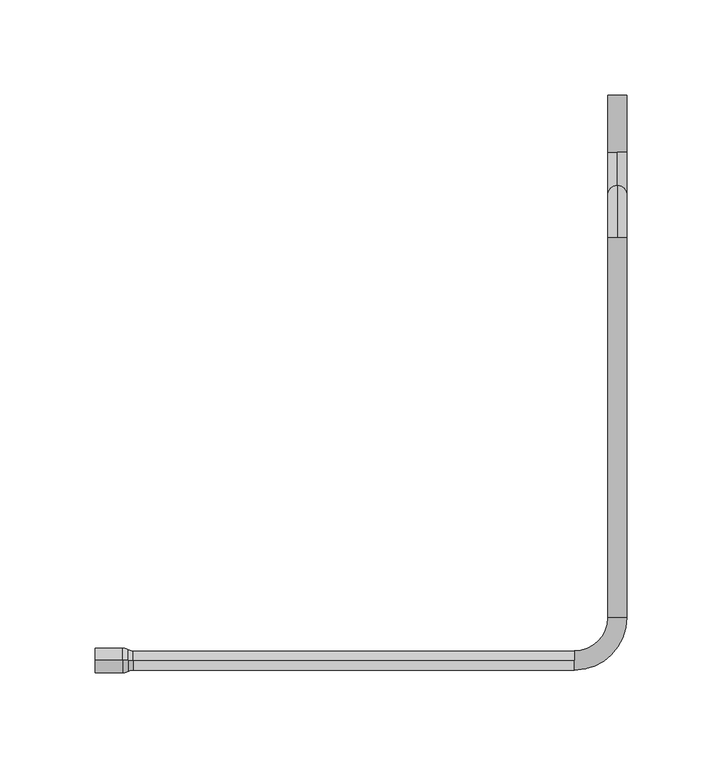
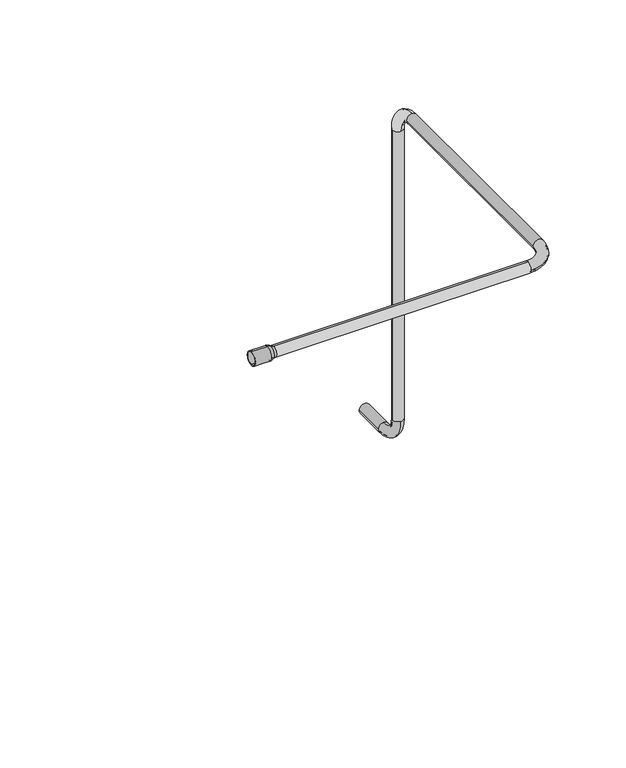
"""IFC4 building model written with IfcOpenShell, lengths in millimetres: proxy geometry."""

from ifc_helpers import new_model, si_unit, point, frame, origin, place, context, project, spatial, polyline, circle_curve, ellipse_curve, trimmed, source, transform, mapped, element, save
from ifc_brep_helpers import plane_surface, cylinder_surface, revolved_surface, advanced_brep


def generic_models_c6636124(model_context):
    return source(origin(), model_context, "Body", "AdvancedBrep", [
        advanced_brep(
        [(70.0, 0.0, 29.5), (302.5, 0.0, 29.5), (302.5, 5.0, 24.5), (302.5, 0.0, 19.5), (70.0, 0.0, 19.5), (302.5, 0.0, 28.5), (70.0, 0.0, 28.5), (70.0, 0.0, 20.5), (302.5, 0.0, 20.5), (302.5, 4.0, 24.5), (302.5, -5.0, 24.5), (330.0, 22.5, 24.5), (320.0, 22.5, 24.5), (329.0, 22.5, 24.5), (302.5, -4.0, 24.5), (321.0, 22.5, 24.5), (330.0, 222.5, 24.5), (325.0, 222.5, 29.5), (320.0, 222.5, 24.5), (329.0, 222.5, 24.5), (321.0, 222.5, 24.5), (325.0, 222.5, 28.5), (325.0, 250.0, 2.0), (320.0, 245.0, 2.0), (325.0, 240.0, 2.0), (325.0, 222.5, 19.5), (325.0, 249.0, 2.0), (325.0, 222.5, 20.5), (325.0, 241.0, 2.0), (321.0, 245.0, 2.0), (330.0, 245.0, 2.0), (330.0, 245.0, -278.0), (325.0, 250.0, -278.0), (320.0, 245.0, -278.0), (329.0, 245.0, -278.0), (329.0, 245.0, 2.0), (321.0, 245.0, -278.0), (325.0, 249.0, -278.0), (325.0, 240.0, -278.0), (325.0, 267.5, -305.5), (330.0, 267.5, -300.5), (325.0, 267.5, -295.5), (325.0, 267.5, -304.5), (325.0, 241.0, -278.0), (325.0, 267.5, -296.5), (329.0, 267.5, -300.5), (320.0, 267.5, -300.5), (320.0, 297.5, -300.5), (330.0, 297.5, -300.5), (321.0, 297.5, -300.5), (321.0, 267.5, -300.5), (329.0, 297.5, -300.5), (66.9753082, 0.0, 29.3181818), (66.9753082, 0.0, 19.6818182), (64.4547317, 0.0, 30.0), (64.4547317, 0.0, 19.0), (50.0, 0.0, 30.0), (50.0, 0.0, 19.0), (64.4547317, 0.0, 31.0), (50.0, 0.0, 31.0), (50.0, 0.0, 18.0), (64.4547317, 0.0, 18.0), (67.4794235, 0.0, 30.1818182), (67.4794235, 0.0, 18.8181818), (325.0, 22.5, 20.5), (325.0, 22.5, 19.5)],
        [
            (0, 1),
            (1, 2, circle_curve(frame((302.5, 0.0, 24.5), z_axis=(-1.0, 0.0, 0.0), x_axis=(0.0, 0.0, 1.0)), 5.0)),
            (2, 3, circle_curve(frame((302.5, 0.0, 24.5), z_axis=(-1.0, 0.0, 0.0), x_axis=(0.0, 0.0, 1.0)), 5.0)),
            (3, 4),
            (4, 0, circle_curve(frame((70.0, 0.0, 24.5), z_axis=(1.0, 0.0, 0.0), x_axis=(0.0, 0.0, 1.0)), 5.0)),
            (5, 6),
            (6, 7, circle_curve(frame((70.0, 0.0, 24.5), z_axis=(-1.0, 0.0, 0.0), x_axis=(0.0, 0.0, 1.0)), 4.0)),
            (7, 8),
            (8, 9, circle_curve(frame((302.5, 0.0, 24.5), z_axis=(1.0, 0.0, 0.0), x_axis=(0.0, 0.0, 1.0)), 4.0)),
            (9, 5, circle_curve(frame((302.5, 0.0, 24.5), z_axis=(1.0, 0.0, 0.0), x_axis=(0.0, 0.0, 1.0)), 4.0)),
            (10, 11, circle_curve(frame((302.5, 22.5, 24.5), z_axis=(0.0, 0.0, 1.0), x_axis=(0.0, -1.0, 0.0)), 27.5)),
            (11, 12, circle_curve(frame((325.0, 22.5, 24.5), z_axis=(0.0, -1.0, 0.0), x_axis=(1.0, 0.0, 0.0)), 5.0)),
            (12, 2, circle_curve(frame((302.5, 22.5, 24.5), z_axis=(0.0, 0.0, -1.0), x_axis=(0.0, -1.0, 0.0)), 17.5)),
            (1, 10, circle_curve(frame((302.5, 0.0, 24.5), z_axis=(1.0, 0.0, 0.0), x_axis=(0.0, -1.0, 0.0)), 5.0)),
            (13, 14, circle_curve(frame((302.5, 22.5, 24.5), z_axis=(0.0, 0.0, -1.0), x_axis=(0.0, -1.0, 0.0)), 26.5)),
            (14, 5, circle_curve(frame((302.5, 0.0, 24.5), z_axis=(-1.0, 0.0, 0.0), x_axis=(0.0, -1.0, 0.0)), 4.0)),
            (9, 15, circle_curve(frame((302.5, 22.5, 24.5), z_axis=(0.0, 0.0, 1.0), x_axis=(0.0, -1.0, 0.0)), 18.5)),
            (15, 13, circle_curve(frame((325.0, 22.5, 24.5), z_axis=(0.0, 1.0, 0.0), x_axis=(1.0, 0.0, 0.0)), 4.0)),
            (11, 16),
            (16, 17, circle_curve(frame((325.0, 222.5, 24.5), z_axis=(0.0, -1.0, 0.0), x_axis=(1.0, 0.0, 0.0)), 5.0)),
            (17, 18, circle_curve(frame((325.0, 222.5, 24.5), z_axis=(0.0, -1.0, 0.0), x_axis=(1.0, 0.0, 0.0)), 5.0)),
            (18, 12),
            (19, 13),
            (15, 20),
            (20, 21, circle_curve(frame((325.0, 222.5, 24.5), z_axis=(0.0, 1.0, 0.0), x_axis=(1.0, 0.0, 0.0)), 4.0)),
            (21, 19, circle_curve(frame((325.0, 222.5, 24.5), z_axis=(0.0, 1.0, 0.0), x_axis=(1.0, 0.0, 0.0)), 4.0)),
            (17, 22, circle_curve(frame((325.0, 222.5, 2.0), z_axis=(-1.0, 0.0, 0.0), x_axis=(0.0, 0.0, 1.0)), 27.5)),
            (22, 23, circle_curve(frame((325.0, 245.0, 2.0), z_axis=(0.0, 0.0, 1.0), x_axis=(0.0, 1.0, 0.0)), 5.0)),
            (23, 24, circle_curve(frame((325.0, 245.0, 2.0), z_axis=(0.0, 0.0, 1.0), x_axis=(0.0, 1.0, 0.0)), 5.0)),
            (24, 25, circle_curve(frame((325.0, 222.5, 2.0), z_axis=(1.0, 0.0, 0.0), x_axis=(0.0, 0.0, 1.0)), 17.5)),
            (25, 18, circle_curve(frame((325.0, 222.5, 24.5), z_axis=(0.0, 1.0, 0.0), x_axis=(0.0, 0.0, 1.0)), 5.0)),
            (26, 21, circle_curve(frame((325.0, 222.5, 2.0), z_axis=(1.0, 0.0, 0.0), x_axis=(0.0, 0.0, 1.0)), 26.5)),
            (20, 27, circle_curve(frame((325.0, 222.5, 24.5), z_axis=(0.0, -1.0, 0.0), x_axis=(0.0, 0.0, 1.0)), 4.0)),
            (27, 28, circle_curve(frame((325.0, 222.5, 2.0), z_axis=(-1.0, 0.0, 0.0), x_axis=(0.0, 0.0, 1.0)), 18.5)),
            (28, 29, circle_curve(frame((325.0, 245.0, 2.0), z_axis=(0.0, 0.0, -1.0), x_axis=(0.0, 1.0, 0.0)), 4.0)),
            (29, 26, circle_curve(frame((325.0, 245.0, 2.0), z_axis=(0.0, 0.0, -1.0), x_axis=(0.0, 1.0, 0.0)), 4.0)),
            (30, 31),
            (31, 32, circle_curve(frame((325.0, 245.0, -278.0), z_axis=(0.0, 0.0, 1.0), x_axis=(1.0, 0.0, 0.0)), 5.0)),
            (32, 33, circle_curve(frame((325.0, 245.0, -278.0), z_axis=(0.0, 0.0, 1.0), x_axis=(1.0, 0.0, 0.0)), 5.0)),
            (33, 23),
            (22, 30, circle_curve(frame((325.0, 245.0, 2.0), z_axis=(0.0, 0.0, -1.0), x_axis=(1.0, 0.0, 0.0)), 5.0)),
            (34, 35),
            (35, 26, circle_curve(frame((325.0, 245.0, 2.0), z_axis=(0.0, 0.0, 1.0), x_axis=(1.0, 0.0, 0.0)), 4.0)),
            (29, 36),
            (36, 37, circle_curve(frame((325.0, 245.0, -278.0), z_axis=(0.0, 0.0, -1.0), x_axis=(1.0, 0.0, 0.0)), 4.0)),
            (37, 34, circle_curve(frame((325.0, 245.0, -278.0), z_axis=(0.0, 0.0, -1.0), x_axis=(1.0, 0.0, 0.0)), 4.0)),
            (38, 39, circle_curve(frame((325.0, 267.5, -278.0), z_axis=(1.0, 0.0, 0.0), x_axis=(0.0, -1.0, 0.0)), 27.5)),
            (39, 40, circle_curve(frame((325.0, 267.5, -300.5), z_axis=(0.0, -1.0, 0.0), x_axis=(0.0, 0.0, -1.0)), 5.0)),
            (40, 41, circle_curve(frame((325.0, 267.5, -300.5), z_axis=(0.0, -1.0, 0.0), x_axis=(0.0, 0.0, -1.0)), 5.0)),
            (41, 32, circle_curve(frame((325.0, 267.5, -278.0), z_axis=(-1.0, 0.0, 0.0), x_axis=(0.0, -1.0, 0.0)), 17.5)),
            (31, 38, circle_curve(frame((325.0, 245.0, -278.0), z_axis=(0.0, 0.0, -1.0), x_axis=(0.0, -1.0, 0.0)), 5.0)),
            (42, 43, circle_curve(frame((325.0, 267.5, -278.0), z_axis=(-1.0, 0.0, 0.0), x_axis=(0.0, -1.0, 0.0)), 26.5)),
            (43, 34, circle_curve(frame((325.0, 245.0, -278.0), z_axis=(0.0, 0.0, 1.0), x_axis=(0.0, -1.0, 0.0)), 4.0)),
            (37, 44, circle_curve(frame((325.0, 267.5, -278.0), z_axis=(1.0, 0.0, 0.0), x_axis=(0.0, -1.0, 0.0)), 18.5)),
            (44, 45, circle_curve(frame((325.0, 267.5, -300.5), z_axis=(0.0, 1.0, 0.0), x_axis=(0.0, 0.0, -1.0)), 4.0)),
            (45, 42, circle_curve(frame((325.0, 267.5, -300.5), z_axis=(0.0, 1.0, 0.0), x_axis=(0.0, 0.0, -1.0)), 4.0)),
            (46, 47),
            (47, 48, circle_curve(frame((325.0, 297.5, -300.5), z_axis=(0.0, -1.0, 0.0), x_axis=(-1.0, 0.0, 0.0)), 5.0)),
            (48, 40),
            (39, 46, circle_curve(frame((325.0, 267.5, -300.5), z_axis=(0.0, 1.0, 0.0), x_axis=(-1.0, 0.0, 0.0)), 5.0)),
            (49, 50),
            (50, 42, circle_curve(frame((325.0, 267.5, -300.5), z_axis=(0.0, -1.0, 0.0), x_axis=(-1.0, 0.0, 0.0)), 4.0)),
            (45, 51),
            (51, 49, circle_curve(frame((325.0, 297.5, -300.5), z_axis=(0.0, 1.0, 0.0), x_axis=(-1.0, 0.0, 0.0)), 4.0)),
            (52, 6, circle_curve(frame((70.0, 0.0, 34.5), z_axis=(0.0, -1.0, 0.0), x_axis=(0.0, 0.0, 1.0)), 6.0)),
            (6, 7, circle_curve(frame((70.0, 0.0, 24.5), z_axis=(1.0, 0.0, 0.0), x_axis=(0.0, 0.0, -1.0)), 4.0)),
            (7, 53, circle_curve(frame((70.0, 0.0, 14.5), z_axis=(0.0, -1.0, 0.0), x_axis=(0.0, 0.0, -1.0)), 6.0)),
            (53, 52, circle_curve(frame((66.9753082, 0.0, 24.5), z_axis=(-1.0, 0.0, 0.0), x_axis=(0.0, 0.0, -1.0)), 4.8181818)),
            (52, 54, circle_curve(frame((64.4547317, 0.0, 25.0), z_axis=(0.0, -1.0, 0.0), x_axis=(0.0, 0.0, 1.0)), 5.0)),
            (54, 55, circle_curve(frame((64.4547317, 0.0, 24.5), z_axis=(-1.0, 0.0, 0.0), x_axis=(0.0, 0.0, 1.0)), 5.5)),
            (55, 53, circle_curve(frame((64.4547317, 0.0, 24.0), z_axis=(0.0, -1.0, 0.0), x_axis=(0.0, 0.0, -1.0)), 5.0)),
            (53, 52, circle_curve(frame((66.9753082, 0.0, 24.5), z_axis=(1.0, 0.0, 0.0), x_axis=(0.0, 0.0, 1.0)), 4.8181818)),
            (54, 56),
            (56, 57, circle_curve(frame((50.0, 0.0, 24.5), z_axis=(-1.0, 0.0, 0.0), x_axis=(0.0, 0.0, 1.0)), 5.5)),
            (57, 55),
            (58, 59),
            (59, 60, circle_curve(frame((50.0, 0.0, 24.5), z_axis=(1.0, 0.0, 0.0), x_axis=(0.0, 0.0, 1.0)), 6.5)),
            (60, 61),
            (61, 58, circle_curve(frame((64.4547317, 0.0, 24.5), z_axis=(-1.0, 0.0, 0.0), x_axis=(0.0, 0.0, 1.0)), 6.5)),
            (62, 58, circle_curve(frame((64.4547317, 0.0, 25.0), z_axis=(0.0, -1.0, 0.0), x_axis=(0.0, 0.0, 1.0)), 6.0)),
            (61, 63, circle_curve(frame((64.4547317, 0.0, 24.0), z_axis=(0.0, -1.0, 0.0), x_axis=(0.0, 0.0, -1.0)), 6.0)),
            (63, 62, circle_curve(frame((67.4794235, 0.0, 24.5), z_axis=(-1.0, 0.0, 0.0), x_axis=(0.0, 0.0, -1.0)), 5.6818182)),
            (62, 0, circle_curve(frame((70.0, 0.0, 34.5), z_axis=(0.0, -1.0, 0.0), x_axis=(0.0, 0.0, 1.0)), 5.0)),
            (4, 63, circle_curve(frame((70.0, 0.0, 14.5), z_axis=(0.0, -1.0, 0.0), x_axis=(0.0, 0.0, -1.0)), 5.0)),
            (63, 62, circle_curve(frame((67.4794235, 0.0, 24.5), z_axis=(1.0, 0.0, 0.0), x_axis=(0.0, 0.0, 1.0)), 5.6818182)),
            (4, 0, circle_curve(frame((70.0, 0.0, 24.5), z_axis=(-1.0, 0.0, 0.0), x_axis=(0.0, 0.0, -1.0)), 5.0)),
            (61, 58, circle_curve(frame((64.4547317, 0.0, 24.5), z_axis=(1.0, 0.0, 0.0), x_axis=(0.0, 0.0, 1.0)), 6.5)),
            (60, 59, circle_curve(frame((50.0, 0.0, 24.5), z_axis=(1.0, 0.0, 0.0), x_axis=(0.0, 0.0, 1.0)), 6.5)),
            (56, 57, circle_curve(frame((50.0, 0.0, 24.5), z_axis=(1.0, 0.0, 0.0), x_axis=(0.0, 0.0, 1.0)), 5.5)),
            (54, 55, circle_curve(frame((64.4547317, 0.0, 24.5), z_axis=(1.0, 0.0, 0.0), x_axis=(0.0, 0.0, 1.0)), 5.5)),
            (49, 51, circle_curve(frame((325.0, 297.5, -300.5), z_axis=(0.0, 1.0, 0.0), x_axis=(-1.0, 0.0, 0.0)), 4.0)),
            (44, 50, circle_curve(frame((325.0, 267.5, -300.5), z_axis=(0.0, -1.0, 0.0), x_axis=(-1.0, 0.0, 0.0)), 4.0)),
            (46, 41, circle_curve(frame((325.0, 267.5, -300.5), z_axis=(0.0, 1.0, 0.0), x_axis=(-1.0, 0.0, 0.0)), 5.0)),
            (48, 47, circle_curve(frame((325.0, 297.5, -300.5), z_axis=(0.0, -1.0, 0.0), x_axis=(-1.0, 0.0, 0.0)), 5.0)),
            (36, 43, circle_curve(frame((325.0, 245.0, -278.0), z_axis=(0.0, 0.0, 1.0), x_axis=(0.0, -1.0, 0.0)), 4.0)),
            (38, 33, circle_curve(frame((325.0, 245.0, -278.0), z_axis=(0.0, 0.0, -1.0), x_axis=(0.0, -1.0, 0.0)), 5.0)),
            (28, 35, circle_curve(frame((325.0, 245.0, 2.0), z_axis=(0.0, 0.0, 1.0), x_axis=(1.0, 0.0, 0.0)), 4.0)),
            (30, 24, circle_curve(frame((325.0, 245.0, 2.0), z_axis=(0.0, 0.0, -1.0), x_axis=(1.0, 0.0, 0.0)), 5.0)),
            (27, 19, circle_curve(frame((325.0, 222.5, 24.5), z_axis=(0.0, -1.0, 0.0), x_axis=(0.0, 0.0, 1.0)), 4.0)),
            (16, 25, circle_curve(frame((325.0, 222.5, 24.5), z_axis=(0.0, 1.0, 0.0), x_axis=(0.0, 0.0, 1.0)), 5.0)),
            (15, 64, circle_curve(frame((325.0, 22.5, 24.5), z_axis=(0.0, -1.0, 0.0), x_axis=(1.0, 0.0, 0.0)), 4.0)),
            (64, 13, circle_curve(frame((325.0, 22.5, 24.5), z_axis=(0.0, -1.0, 0.0), x_axis=(1.0, 0.0, 0.0)), 4.0)),
            (11, 65, circle_curve(frame((325.0, 22.5, 24.5), z_axis=(0.0, 1.0, 0.0), x_axis=(1.0, 0.0, 0.0)), 5.0)),
            (65, 12, circle_curve(frame((325.0, 22.5, 24.5), z_axis=(0.0, 1.0, 0.0), x_axis=(1.0, 0.0, 0.0)), 5.0)),
            (8, 14, circle_curve(frame((302.5, 0.0, 24.5), z_axis=(-1.0, 0.0, 0.0), x_axis=(0.0, -1.0, 0.0)), 4.0)),
            (10, 3, circle_curve(frame((302.5, 0.0, 24.5), z_axis=(1.0, 0.0, 0.0), x_axis=(0.0, -1.0, 0.0)), 5.0)),
        ],
        [
            cylinder_surface(frame((22.5, 0.0, 24.5), z_axis=(1.0, 0.0, 0.0), x_axis=(0.0, 0.0, 1.0)), 5.0),
            revolved_surface(polyline([(302.5, 0.0, 28.5), (70.0, 0.0, 28.5)]), (22.5, 0.0, 24.5), (1.0, 0.0, 0.0)),
            revolved_surface(trimmed(ellipse_curve(frame((302.5, 0.0, 24.5), z_axis=(-1.0, 0.0, 0.0), x_axis=(0.0, -1.0, 0.0)), 5.0, 5.0), [point((302.5, -5.0, 24.5))], [point((302.5, 5.0, 24.5))], True, "CARTESIAN"), (302.5, 22.5, 24.5), (0.0, 0.0, 1.0)),
            revolved_surface(trimmed(ellipse_curve(frame((302.5, 0.0, 24.5), z_axis=(1.0, 0.0, 0.0), x_axis=(0.0, -1.0, 0.0)), 4.0, 4.0), [point((302.5, 4.0, 24.5))], [point((302.5, -4.0, 24.5))], True, "CARTESIAN"), (302.5, 22.5, 24.5), (0.0, 0.0, 1.0)),
            cylinder_surface(frame((325.0, 22.5, 24.5), z_axis=(0.0, 1.0, 0.0), x_axis=(1.0, 0.0, 0.0)), 5.0),
            revolved_surface(polyline([(329.0, 222.5, 24.5), (329.0, 22.5, 24.5)]), (325.0, 22.5, 24.5), (0.0, 1.0, 0.0)),
            revolved_surface(trimmed(ellipse_curve(frame((325.0, 222.5, 24.5), z_axis=(0.0, -1.0, 0.0), x_axis=(0.0, 0.0, 1.0)), 5.0, 5.0), [point((325.0, 222.5, 29.5))], [point((325.0, 222.5, 19.5))], True, "CARTESIAN"), (325.0, 222.5, 2.0), (-1.0, 0.0, 0.0)),
            revolved_surface(trimmed(ellipse_curve(frame((325.0, 222.5, 24.5), z_axis=(0.0, 1.0, 0.0), x_axis=(0.0, 0.0, 1.0)), 4.0, 4.0), [point((325.0, 222.5, 20.5))], [point((325.0, 222.5, 28.5))], True, "CARTESIAN"), (325.0, 222.5, 2.0), (-1.0, 0.0, 0.0)),
            cylinder_surface(frame((325.0, 245.0, 2.0), z_axis=(0.0, 0.0, -1.0), x_axis=(1.0, 0.0, 0.0)), 5.0),
            revolved_surface(polyline([(329.0, 245.0, -278.0), (329.0, 245.0, 2.0)]), (325.0, 245.0, 2.0), (0.0, 0.0, -1.0)),
            revolved_surface(trimmed(ellipse_curve(frame((325.0, 245.0, -278.0), z_axis=(0.0, 0.0, 1.0), x_axis=(0.0, -1.0, 0.0)), 5.0, 5.0), [point((325.0, 240.0, -278.0))], [point((325.0, 250.0, -278.0))], True, "CARTESIAN"), (325.0, 267.5, -278.0), (1.0, 0.0, 0.0)),
            revolved_surface(trimmed(ellipse_curve(frame((325.0, 245.0, -278.0), z_axis=(0.0, 0.0, -1.0), x_axis=(0.0, -1.0, 0.0)), 4.0, 4.0), [point((325.0, 249.0, -278.0))], [point((325.0, 241.0, -278.0))], True, "CARTESIAN"), (325.0, 267.5, -278.0), (1.0, 0.0, 0.0)),
            cylinder_surface(frame((325.0, 267.5, -300.5), z_axis=(0.0, 1.0, 0.0), x_axis=(-1.0, 0.0, 0.0)), 5.0),
            revolved_surface(polyline([(321.0, 297.5, -300.5), (321.0, 267.5, -300.5)]), (325.0, 267.5, -300.5), (0.0, 1.0, 0.0)),
            revolved_surface(trimmed(ellipse_curve(frame((70.0, 0.0, 14.5), z_axis=(0.0, 1.0, 0.0), x_axis=(0.0, 0.0, -1.0)), 6.0, 6.0), [point((66.9753082, 0.0, 19.6818182))], [point((70.0, 0.0, 20.5))], True, "CARTESIAN"), (70.0, 0.0, 24.5), (-1.0, 0.0, 0.0)),
            revolved_surface(trimmed(ellipse_curve(frame((64.4547317, 0.0, 25.0), z_axis=(0.0, 1.0, 0.0), x_axis=(0.0, 0.0, 1.0)), 5.0, 5.0), [point((64.4547317, 0.0, 30.0))], [point((66.9753082, 0.0, 29.3181818))], True, "CARTESIAN"), (64.4547317, 0.0, 24.5), (-1.0, 0.0, 0.0)),
            revolved_surface(polyline([(50.0, 0.0, 30.0), (64.4547317, 0.0, 30.0)]), (57.2273659, 0.0, 24.5), (-1.0, 0.0, 0.0)),
            cylinder_surface(frame((57.2273659, 0.0, 24.5), z_axis=(-1.0, 0.0, 0.0), x_axis=(0.0, 0.0, 1.0)), 6.5),
            revolved_surface(trimmed(ellipse_curve(frame((64.4547317, 0.0, 24.0), z_axis=(0.0, 1.0, 0.0), x_axis=(0.0, 0.0, -1.0)), 6.0, 6.0), [point((67.4794235, 0.0, 18.8181818))], [point((64.4547317, 0.0, 18.0))], True, "CARTESIAN"), (64.4547317, 0.0, 24.5), (-1.0, 0.0, 0.0)),
            revolved_surface(trimmed(ellipse_curve(frame((70.0, 0.0, 34.5), z_axis=(0.0, 1.0, 0.0), x_axis=(0.0, 0.0, 1.0)), 5.0, 5.0), [point((70.0, 0.0, 29.5))], [point((67.4794235, 0.0, 30.1818182))], True, "CARTESIAN"), (70.0, 0.0, 24.5), (-1.0, 0.0, 0.0)),
            revolved_surface(trimmed(ellipse_curve(frame((70.0, 0.0, 14.5), z_axis=(0.0, -1.0, 0.0), x_axis=(0.0, 0.0, -1.0)), 5.0, 5.0), [point((70.0, 0.0, 19.5))], [point((67.4794235, 0.0, 18.8181818))], True, "CARTESIAN"), (70.0, 0.0, 24.5), (-1.0, 0.0, 0.0)),
            revolved_surface(trimmed(ellipse_curve(frame((64.4547317, 0.0, 25.0), z_axis=(0.0, -1.0, 0.0), x_axis=(0.0, 0.0, 1.0)), 6.0, 6.0), [point((67.4794235, 0.0, 30.1818182))], [point((64.4547317, 0.0, 31.0))], True, "CARTESIAN"), (64.4547317, 0.0, 24.5), (-1.0, 0.0, 0.0)),
            plane_surface(frame((50.0, 0.0, 30.0), z_axis=(-1.0, 0.0, 0.0), x_axis=(0.0, 0.0, 1.0))),
            revolved_surface(trimmed(ellipse_curve(frame((64.4547317, 0.0, 24.0), z_axis=(0.0, -1.0, 0.0), x_axis=(0.0, 0.0, -1.0)), 5.0, 5.0), [point((64.4547317, 0.0, 19.0))], [point((66.9753082, 0.0, 19.6818182))], True, "CARTESIAN"), (64.4547317, 0.0, 24.5), (-1.0, 0.0, 0.0)),
            revolved_surface(trimmed(ellipse_curve(frame((70.0, 0.0, 34.5), z_axis=(0.0, -1.0, 0.0), x_axis=(0.0, 0.0, 1.0)), 6.0, 6.0), [point((66.9753082, 0.0, 29.3181818))], [point((70.0, 0.0, 28.5))], True, "CARTESIAN"), (70.0, 0.0, 24.5), (-1.0, 0.0, 0.0)),
            plane_surface(frame((325.0, 297.5, -300.5), z_axis=(0.0, 1.0, 0.0), x_axis=(0.0, 0.0, -1.0))),
            revolved_surface(trimmed(ellipse_curve(frame((325.0, 245.0, -278.0), z_axis=(0.0, 0.0, -1.0), x_axis=(0.0, -1.0, 0.0)), 4.0, 4.0), [point((325.0, 241.0, -278.0))], [point((325.0, 249.0, -278.0))], True, "CARTESIAN"), (325.0, 267.5, -278.0), (1.0, 0.0, 0.0)),
            revolved_surface(trimmed(ellipse_curve(frame((325.0, 245.0, -278.0), z_axis=(0.0, 0.0, 1.0), x_axis=(0.0, -1.0, 0.0)), 5.0, 5.0), [point((325.0, 250.0, -278.0))], [point((325.0, 240.0, -278.0))], True, "CARTESIAN"), (325.0, 267.5, -278.0), (1.0, 0.0, 0.0)),
            revolved_surface(trimmed(ellipse_curve(frame((325.0, 222.5, 24.5), z_axis=(0.0, 1.0, 0.0), x_axis=(0.0, 0.0, 1.0)), 4.0, 4.0), [point((325.0, 222.5, 28.5))], [point((325.0, 222.5, 20.5))], True, "CARTESIAN"), (325.0, 222.5, 2.0), (-1.0, 0.0, 0.0)),
            revolved_surface(trimmed(ellipse_curve(frame((325.0, 222.5, 24.5), z_axis=(0.0, -1.0, 0.0), x_axis=(0.0, 0.0, 1.0)), 5.0, 5.0), [point((325.0, 222.5, 19.5))], [point((325.0, 222.5, 29.5))], True, "CARTESIAN"), (325.0, 222.5, 2.0), (-1.0, 0.0, 0.0)),
            revolved_surface(trimmed(ellipse_curve(frame((302.5, 0.0, 24.5), z_axis=(1.0, 0.0, 0.0), x_axis=(0.0, -1.0, 0.0)), 4.0, 4.0), [point((302.5, -4.0, 24.5))], [point((302.5, 4.0, 24.5))], True, "CARTESIAN"), (302.5, 22.5, 24.5), (0.0, 0.0, 1.0)),
            revolved_surface(trimmed(ellipse_curve(frame((302.5, 0.0, 24.5), z_axis=(-1.0, 0.0, 0.0), x_axis=(0.0, -1.0, 0.0)), 5.0, 5.0), [point((302.5, 5.0, 24.5))], [point((302.5, -5.0, 24.5))], True, "CARTESIAN"), (302.5, 22.5, 24.5), (0.0, 0.0, 1.0)),
        ],
        [
            (0, [[1, 2, 3, 4, 5]]),
            (1, [[6, 7, 8, 9, 10]]),
            (2, [[11, 12, 13, -2, 14]]),
            (3, [[15, 16, -10, 17, 18]]),
            (4, [[19, 20, 21, 22, -12]]),
            (5, [[23, -18, 24, 25, 26]]),
            (6, [[27, 28, 29, 30, 31, -21]]),
            (7, [[32, -25, 33, 34, 35, 36]]),
            (8, [[37, 38, 39, 40, -28, 41]]),
            (9, [[42, 43, -36, 44, 45, 46]]),
            (10, [[47, 48, 49, 50, -38, 51]]),
            (11, [[52, 53, -46, 54, 55, 56]]),
            (12, [[57, 58, 59, -48, 60]]),
            (13, [[61, 62, -56, 63, 64]]),
            (14, [[65, 66, 67, 68]]),
            (15, [[69, 70, 71, 72]]),
            (16, [[73, 74, 75, -70]]),
            (17, [[76, 77, 78, 79]]),
            (18, [[80, -79, 81, 82]]),
            (19, [[83, -5, 84, 85]]),
            (20, [[-83, -82, -84, 86]]),
            (21, [[-80, -85, -81, 87]]),
            (17, [[-76, -87, -78, 88]]),
            (22, [[-88, -77], [-74, 89]]),
            (16, [[-73, 90, -75, -89]]),
            (23, [[-69, -68, -71, -90]]),
            (24, [[-65, -72, -67, -7]]),
            (13, [[-61, 91, -63, -55, 92]]),
            (12, [[-57, 93, -49, -59, 94]]),
            (25, [[-94, -58], [-91, -64]]),
            (26, [[-52, -62, -92, -54, -45, 95]]),
            (27, [[-47, 96, -39, -50, -93, -60]]),
            (9, [[-42, -53, -95, -44, -35, 97]]),
            (8, [[-37, 98, -29, -40, -96, -51]]),
            (28, [[-32, -43, -97, -34, 99, -26]]),
            (29, [[-27, -20, 100, -30, -98, -41]]),
            (5, [[-23, -99, -33, -24, 101, 102]]),
            (4, [[-19, 103, 104, -22, -31, -100]]),
            (30, [[-15, -102, -101, -17, -9, 105]]),
            (31, [[-11, 106, -3, -13, -104, -103]]),
            (1, [[-6, -16, -105, -8, -66]]),
            (0, [[-1, -86, -4, -106, -14]]),
        ],
    ),
    ])


if __name__ == "__main__":
    model = new_model("IFC4")
    model_context = context("Model", 3, world=origin())
    ifc_project = project(units=[si_unit("LENGTHUNIT", "METRE", prefix="MILLI")], contexts=[model_context])
    site = spatial("IfcSite", under=ifc_project)
    building = spatial("IfcBuilding", under=site)
    placement = place(None, origin())
    generic_models_shape = generic_models_c6636124(model_context)
    element("IfcBuildingElementProxy", 1, Name="Generic Models", at=placement, inside=building, context=model_context, shape_type="MappedRepresentation", body=[
        mapped(generic_models_shape, transform((0.0, 0.0, 0.0), x_axis=(1.0, 0.0, 0.0), y_axis=(0.0, 1.0, 0.0), z_axis=(0.0, 0.0, 1.0))),
    ])
    save(model, "model.ifc")
